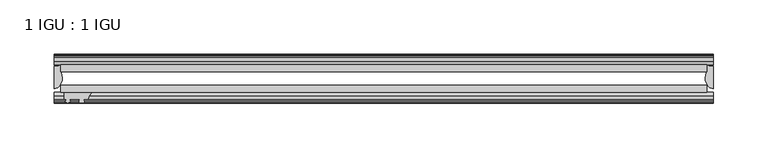
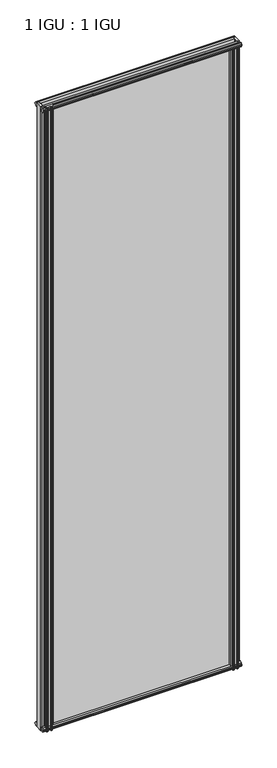
"""IFC4 building model written with IfcOpenShell, lengths in millimetres: plate geometry, 1 IGU : 1 IGU."""

from ifc_helpers import new_model, si_unit, point, frame, frame_2d, origin, place, context, project, spatial, polyline, circle_curve, ellipse_curve, trimmed, segment, composite_curve, outline, extrude, source, transform, mapped, element, save
from ifc_brep_helpers import plane_surface, cylinder_surface, revolved_surface, extruded_surface, advanced_brep


def plate_1_igu_1_igu_139362dc(model_context):
    return source(origin(), model_context, "Body", "SolidModel", [
        extrude(outline(polyline([(-298.45, -38.6468937), (298.45, -38.6468937), (298.45, -44.9460938), (-298.45, -44.9460938), (-298.45, -38.6468937)])), frame((0.0, 0.0, -12.7), z_axis=(0.0, 0.0, 1.0), x_axis=(1.0, 0.0, 0.0)), (0.0, 0.0, 1.0), 2019.2872996),
        extrude(outline(polyline([(-298.45, -19.5460937), (298.45, -19.5460937), (298.45, -25.8960938), (-298.45, -25.8960938), (-298.45, -19.5460937)])), frame((0.0, 0.0, -12.7), z_axis=(0.0, 0.0, 1.0), x_axis=(1.0, 0.0, 0.0)), (0.0, 0.0, 1.0), 2019.2872996),
        advanced_brep(
        [(304.8, -21.1709383, -12.4587), (304.8, -41.5384061, -12.4587), (297.2776629, -32.2460938, -12.4587), (298.45, -25.8452938, -12.4587), (298.45, -19.5460938, -12.4587), (304.8, -21.1709383, 2006.5872996), (298.45, -19.5460938, 2006.5872996), (298.45, -25.8452938, 2006.5872996), (297.2776629, -32.2460938, 2006.5872996), (304.8, -41.5384061, 2006.5872996)],
        [
            (0, 1),
            (1, 2, ellipse_curve(frame((304.8, -32.2460938, -12.4587), z_axis=(0.0, 0.0, -1.0), x_axis=(0.0, -1.0, 0.0)), 9.2923124, 7.5223371)),
            (2, 3, circle_curve(frame((315.3375763, -32.2460938, -12.4587), z_axis=(0.0, 0.0, -1.0), x_axis=(1.0, 0.0, 0.0)), 18.0599135)),
            (3, 4),
            (4, 0, circle_curve(frame((304.8, -7.950406, -12.4587), z_axis=(0.0, 0.0, 1.0), x_axis=(1.0, 0.0, 0.0)), 13.2205323)),
            (5, 6, circle_curve(frame((304.8, -7.950406, 2006.5872996), z_axis=(0.0, 0.0, -1.0), x_axis=(1.0, 0.0, 0.0)), 13.2205323)),
            (6, 7),
            (7, 8, circle_curve(frame((315.3375763, -32.2460938, 2006.5872996), z_axis=(0.0, 0.0, 1.0), x_axis=(1.0, 0.0, 0.0)), 18.0599135)),
            (8, 9, ellipse_curve(frame((304.8, -32.2460938, 2006.5872996), z_axis=(0.0, 0.0, 1.0), x_axis=(0.0, -1.0, 0.0)), 9.2923124, 7.5223371)),
            (9, 5),
            (1, 9),
            (8, 2),
            (7, 3),
            (6, 4),
            (5, 0),
        ],
        [
            plane_surface(frame((304.8, -13.1960938, -12.4587), z_axis=(0.0, 0.0, -1.0), x_axis=(0.0, 1.0, 0.0))),
            plane_surface(frame((304.8, -13.1960938, 2006.5872996), z_axis=(0.0, 0.0, 1.0), x_axis=(0.0, 1.0, 0.0))),
            extruded_surface(trimmed(ellipse_curve(frame((304.8, -32.2460938, 2006.5872996), z_axis=(0.0, 0.0, -1.0), x_axis=(0.0, -1.0, 0.0)), 9.2923124, 7.5223371), [point((304.8, -41.5384061, 2006.5872996))], [point((297.2776629, -32.2460938, 2006.5872996))], True, "CARTESIAN"), (0.0, 0.0, -2019.0459996), 2019.0459996),
            cylinder_surface(frame((315.3375763, -32.2460938, -12.4587), z_axis=(0.0, 0.0, -1.0), x_axis=(1.0, 0.0, 0.0)), 18.0599135),
            plane_surface(frame((298.45, -25.8452938, -12.4587), z_axis=(-1.0, 0.0, 0.0), x_axis=(0.0, 0.0, 1.0))),
            revolved_surface(polyline([(318.0205323, -7.950406, 2006.5872996), (318.0205323, -7.950406, -12.4587)]), (304.8, -7.950406, -12.4587), (0.0, 0.0, 1.0)),
            plane_surface(frame((304.8, -21.1709383, -12.4587), z_axis=(1.0, 0.0, 0.0), x_axis=(0.0, 0.0, 1.0))),
        ],
        [
            (0, [[1, 2, 3, 4, 5]]),
            (1, [[6, 7, 8, 9, 10]]),
            (2, [[-2, 11, -9, 12]]),
            (3, [[-3, -12, -8, 13]]),
            (4, [[-4, -13, -7, 14]]),
            (5, [[-5, -14, -6, 15]]),
            (6, [[-1, -15, -10, -11]]),
        ],
    ),
        advanced_brep(
        [(-304.8, -21.1706006, -12.7), (-298.4513881, -19.5461438, -12.7), (-298.4513881, -25.8549351, -12.7), (-297.2760369, -32.21431, -12.7), (-304.8, -41.5384043, -12.7), (-304.8, -21.1706006, 2006.5872996), (-304.8, -41.5384043, 2006.5872996), (-297.2760369, -32.21431, 2006.5872996), (-298.4513881, -25.8549351, 2006.5872996), (-298.4513881, -19.5461438, 2006.5872996)],
        [
            (0, 1, circle_curve(frame((-304.8005694, -7.9505008, -12.7), z_axis=(0.0, 0.0, 1.0), x_axis=(1.0, 0.0, 0.0)), 13.2200998)),
            (1, 2),
            (2, 3, circle_curve(frame((-315.3384012, -32.2643264, -12.7), z_axis=(0.0, 0.0, -1.0), x_axis=(1.0, 0.0, 0.0)), 18.0624336)),
            (3, 4, ellipse_curve(frame((-304.7991671, -32.2460921, -12.7), z_axis=(0.0, 0.0, -1.0), x_axis=(0.0, -1.0, 0.0)), 9.2923123, 7.5231742)),
            (4, 0),
            (5, 6),
            (6, 7, ellipse_curve(frame((-304.7991671, -32.2460921, 2006.5872996), z_axis=(0.0, 0.0, 1.0), x_axis=(0.0, -1.0, 0.0)), 9.2923123, 7.5231742)),
            (7, 8, circle_curve(frame((-315.3384012, -32.2643264, 2006.5872996), z_axis=(0.0, 0.0, 1.0), x_axis=(1.0, 0.0, 0.0)), 18.0624336)),
            (8, 9),
            (9, 5, circle_curve(frame((-304.8005694, -7.9505008, 2006.5872996), z_axis=(0.0, 0.0, -1.0), x_axis=(1.0, 0.0, 0.0)), 13.2200998)),
            (0, 5),
            (9, 1),
            (8, 2),
            (7, 3),
            (6, 4),
        ],
        [
            plane_surface(frame((-304.8, -13.1960937, -12.7), z_axis=(0.0, 0.0, -1.0), x_axis=(0.0, 1.0, 0.0))),
            plane_surface(frame((-304.8, -13.1960937, 2006.5872996), z_axis=(0.0, 0.0, 1.0), x_axis=(0.0, 1.0, 0.0))),
            revolved_surface(polyline([(-291.58046959999996, -7.9505008, 2006.5872996), (-291.58046959999996, -7.9505008, -12.7)]), (-304.8005694, -7.9505008, -12.7), (0.0, 0.0, 1.0)),
            plane_surface(frame((-298.4513881, -19.5461438, -12.7), z_axis=(1.0, 0.0, 0.0), x_axis=(0.0, 0.0, 1.0))),
            cylinder_surface(frame((-315.3384012, -32.2643264, -12.7), z_axis=(0.0, 0.0, -1.0), x_axis=(1.0, 0.0, 0.0)), 18.0624336),
            extruded_surface(trimmed(ellipse_curve(frame((-304.7991671, -32.2460921, 2006.5872996), z_axis=(0.0, 0.0, -1.0), x_axis=(0.0, -1.0, 0.0)), 9.2923123, 7.5231742), [point((-297.2760369, -32.21431, 2006.5872996))], [point((-304.8, -41.5384043, 2006.5872996))], True, "CARTESIAN"), (0.0, 0.0, -2019.2872996), 2019.2872996),
            plane_surface(frame((-304.8, -41.5384043, -12.7), z_axis=(-1.0, 0.0, 0.0), x_axis=(0.0, 0.0, 1.0))),
        ],
        [
            (0, [[1, 2, 3, 4, 5]]),
            (1, [[6, 7, 8, 9, 10]]),
            (2, [[-1, 11, -10, 12]]),
            (3, [[-2, -12, -9, 13]]),
            (4, [[-3, -13, -8, 14]]),
            (5, [[-4, -14, -7, 15]]),
            (6, [[-5, -15, -6, -11]]),
        ],
    ),
        extrude(outline(polyline([(-44.9460937, 1.7177181), (-44.9460937, -9.1036578), (-48.3496937, -11.938), (-51.2960937, -11.938), (-51.2960937, -7.493), (-53.6762907, -7.112), (-53.2163575, -8.5275291), (-54.0175717, -8.5275291), (-54.7250937, -6.35), (-54.0175717, -4.1724709), (-53.2163575, -4.1724709), (-53.6762907, -5.588), (-51.2960937, -5.207), (-51.2960937, 0.0), (-44.9460937, 1.7177181)])), frame((-304.8, 0.0, 0.0), z_axis=(1.0, 0.0, 0.0), x_axis=(0.0, 1.0, 0.0)), (0.0, 0.0, 1.0), 609.6),
        extrude(outline(polyline([(-13.1960937, -12.4587), (-16.1424937, -12.4587), (-19.5460937, -9.6243578), (-19.5460937, 1.1970181), (-13.1960937, -0.5207), (-13.1960937, -5.7277), (-10.8158968, -6.1087), (-11.27583, -4.6931709), (-10.4746158, -4.6931709), (-9.7670937, -6.8707), (-10.4746158, -9.0482291), (-11.27583, -9.0482291), (-10.8158968, -7.6327), (-13.1960937, -8.0137), (-13.1960937, -12.4587)])), frame((-304.8, 0.0, 0.0), z_axis=(1.0, 0.0, 0.0), x_axis=(0.0, 1.0, 0.0)), (0.0, 0.0, 1.0), 609.6),
        extrude(outline(polyline([(-51.2960937, 2005.8252996), (-48.3496937, 2005.8252996), (-44.9460937, 2002.9909574), (-44.9460937, 1992.1695815), (-51.2960937, 1993.8872996), (-51.2960937, 1999.0942996), (-53.6762907, 1999.4752996), (-53.2163575, 1998.0597705), (-54.0175717, 1998.0597705), (-54.7250937, 2000.2372996), (-54.0175717, 2002.4148286), (-53.2163575, 2002.4148286), (-53.6762907, 2000.9992996), (-51.2960937, 2001.3802996), (-51.2960937, 2005.8252996)])), frame((-304.8, 0.0, 0.0), z_axis=(1.0, 0.0, 0.0), x_axis=(0.0, 1.0, 0.0)), (0.0, 0.0, 1.0), 609.6),
        extrude(outline(polyline([(-19.5460937, 1992.6902815), (-19.5460937, 2003.5116574), (-16.1424937, 2006.3459996), (-13.1960937, 2006.3459996), (-13.1960937, 2001.9009996), (-10.8158968, 2001.5199996), (-11.27583, 2002.9355286), (-10.4746158, 2002.9355286), (-9.7670937, 2000.7579996), (-10.4746158, 1998.5804705), (-11.27583, 1998.5804705), (-10.8158968, 1999.9959996), (-13.1960937, 1999.6149996), (-13.1960937, 1994.4079996), (-19.5460937, 1992.6902815)])), frame((-304.8, 0.0, 0.0), z_axis=(1.0, 0.0, 0.0), x_axis=(0.0, 1.0, 0.0)), (0.0, 0.0, 1.0), 609.6),
        extrude(outline(composite_curve([segment(polyline([(295.2750002, -44.9460938), (295.2750002, -51.2960938), (293.6240002, -51.2960938), (293.6240002, -52.9470938), (294.7016309, -52.9470938)]), True, "CONTINUOUS"), segment(trimmed(circle_curve(frame_2d((293.6240002, -52.9470938)), 1.0776307), [point((294.7016309, -52.9470938))], [point((294.3860002, -53.7090938))], False, "CARTESIAN"), True, "CONTINUOUS"), segment(polyline([(294.3860002, -53.7090938), (292.6467077, -54.8194621)]), True, "CONTINUOUS"), segment(trimmed(circle_curve(frame_2d((292.1000002, -53.9630938)), 1.016), [point((292.6467077, -54.8194621))], [point((291.5532926, -54.8194621))], False, "CARTESIAN"), True, "CONTINUOUS"), segment(polyline([(291.5532926, -54.8194621), (289.8140002, -53.7090938)]), True, "CONTINUOUS"), segment(trimmed(circle_curve(frame_2d((290.5760002, -52.9470938)), 1.0776307), [point((289.8140002, -53.7090938))], [point((289.4983694, -52.9470938))], False, "CARTESIAN"), True, "CONTINUOUS"), segment(polyline([(289.4983694, -52.9470938), (290.5760002, -52.9470938), (290.5760002, -51.2960938), (281.5082002, -51.2960938)]), True, "CONTINUOUS"), segment(trimmed(circle_curve(frame_2d((281.5082002, -51.7532938)), 0.4572), [point((281.5082002, -51.2960938))], [point((281.1693823, -52.0602698))], True, "CARTESIAN"), True, "CONTINUOUS"), segment(trimmed(circle_curve(frame_2d((279.4000002, -53.663367)), 2.3876), [point((281.1693823, -52.0602698))], [point((281.4706432, -54.8520938))], False, "CARTESIAN"), True, "CONTINUOUS"), segment(polyline([(281.4706432, -54.8520938), (277.3293572, -54.8520938)]), True, "CONTINUOUS"), segment(trimmed(circle_curve(frame_2d((279.4000002, -53.663367)), 2.3876), [point((277.3293572, -54.8520938))], [point((277.630618, -52.0602698))], False, "CARTESIAN"), True, "CONTINUOUS"), segment(trimmed(circle_curve(frame_2d((277.2918002, -51.7532938)), 0.4572), [point((277.630618, -52.0602698))], [point((277.2918002, -51.2960938))], True, "CARTESIAN"), True, "CONTINUOUS"), segment(polyline([(277.2918002, -51.2960938), (273.0500002, -51.2960938)]), True, "CONTINUOUS"), segment(trimmed(circle_curve(frame_2d((264.0340687, -51.9750196)), 9.0414579), [point((273.0500002, -51.2960938))], [point((269.7210856, -44.9460938))], True, "CARTESIAN"), True, "CONTINUOUS"), segment(polyline([(269.7210856, -44.9460938), (295.2750002, -44.9460938)]), True, "CONTINUOUS")], self_intersect=False)), frame((0.0, 0.0, -12.7), z_axis=(0.0, 0.0, 1.0), x_axis=(1.0, 0.0, 0.0)), (0.0, 0.0, 1.0), 2006.5872996),
        extrude(outline(composite_curve([segment(trimmed(circle_curve(frame_2d((-264.0340687, -51.9750196)), 9.0414579), [point((-269.7210856, -44.9460938))], [point((-273.0500002, -51.2960938))], True, "CARTESIAN"), True, "CONTINUOUS"), segment(polyline([(-273.0500002, -51.2960938), (-277.2918002, -51.2960938)]), True, "CONTINUOUS"), segment(trimmed(circle_curve(frame_2d((-277.2918002, -51.7532938)), 0.4572), [point((-277.2918002, -51.2960938))], [point((-277.630618, -52.0602698))], True, "CARTESIAN"), True, "CONTINUOUS"), segment(trimmed(circle_curve(frame_2d((-279.4000002, -53.663367)), 2.3876), [point((-277.630618, -52.0602698))], [point((-277.3293572, -54.8520938))], False, "CARTESIAN"), True, "CONTINUOUS"), segment(polyline([(-277.3293572, -54.8520938), (-281.4706432, -54.8520938)]), True, "CONTINUOUS"), segment(trimmed(circle_curve(frame_2d((-279.4000002, -53.663367)), 2.3876), [point((-281.4706432, -54.8520938))], [point((-281.1693823, -52.0602698))], False, "CARTESIAN"), True, "CONTINUOUS"), segment(trimmed(circle_curve(frame_2d((-281.5082002, -51.7532938)), 0.4572), [point((-281.1693823, -52.0602698))], [point((-281.5082002, -51.2960938))], True, "CARTESIAN"), True, "CONTINUOUS"), segment(polyline([(-281.5082002, -51.2960938), (-290.5760002, -51.2960938), (-290.5760002, -52.9470938), (-289.4983694, -52.9470938)]), True, "CONTINUOUS"), segment(trimmed(circle_curve(frame_2d((-290.5760002, -52.9470938)), 1.0776307), [point((-289.4983694, -52.9470938))], [point((-289.8140002, -53.7090938))], False, "CARTESIAN"), True, "CONTINUOUS"), segment(polyline([(-289.8140002, -53.7090938), (-291.5532926, -54.8194621)]), True, "CONTINUOUS"), segment(trimmed(circle_curve(frame_2d((-292.1000002, -53.9630938)), 1.016), [point((-291.5532926, -54.8194621))], [point((-292.6467077, -54.8194621))], False, "CARTESIAN"), True, "CONTINUOUS"), segment(polyline([(-292.6467077, -54.8194621), (-294.3860002, -53.7090938)]), True, "CONTINUOUS"), segment(trimmed(circle_curve(frame_2d((-293.6240002, -52.9470938)), 1.0776307), [point((-294.3860002, -53.7090938))], [point((-294.7016309, -52.9470938))], False, "CARTESIAN"), True, "CONTINUOUS"), segment(polyline([(-294.7016309, -52.9470938), (-293.6240002, -52.9470938), (-293.6240002, -51.2960938), (-295.2750002, -51.2960938), (-295.2750002, -44.9460938), (-269.7210856, -44.9460938)]), True, "CONTINUOUS")], self_intersect=False)), frame((0.0, 0.0, -12.7), z_axis=(0.0, 0.0, 1.0), x_axis=(1.0, 0.0, 0.0)), (0.0, 0.0, 1.0), 2019.2872997),
    ])


if __name__ == "__main__":
    model = new_model("IFC4")
    model_context = context("Model", 3, world=origin())
    ifc_project = project(units=[si_unit("LENGTHUNIT", "METRE", prefix="MILLI")], contexts=[model_context])
    site = spatial("IfcSite", under=ifc_project)
    building = spatial("IfcBuilding", under=site)
    placement = place(None, origin())
    plate_1_igu_1_igu_shape = plate_1_igu_1_igu_139362dc(model_context)
    element("IfcPlate", 1, ObjectType="1 IGU : 1 IGU", at=placement, inside=building, context=model_context, shape_type="MappedRepresentation", body=[
        mapped(plate_1_igu_1_igu_shape, transform((0.0, 0.0, 0.0), x_axis=(1.0, 0.0, 0.0), y_axis=(0.0, 1.0, 0.0), z_axis=(0.0, 0.0, 1.0))),
    ])
    save(model, "model.ifc")
